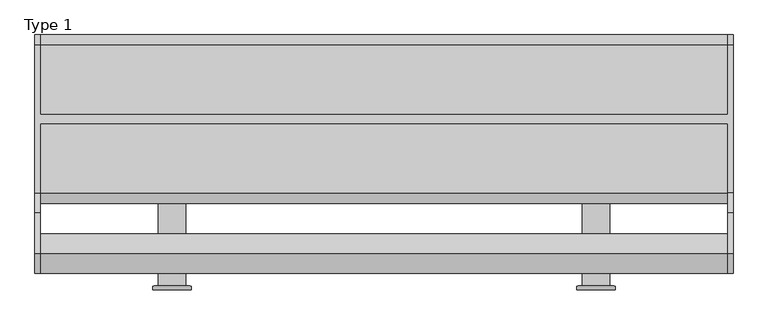
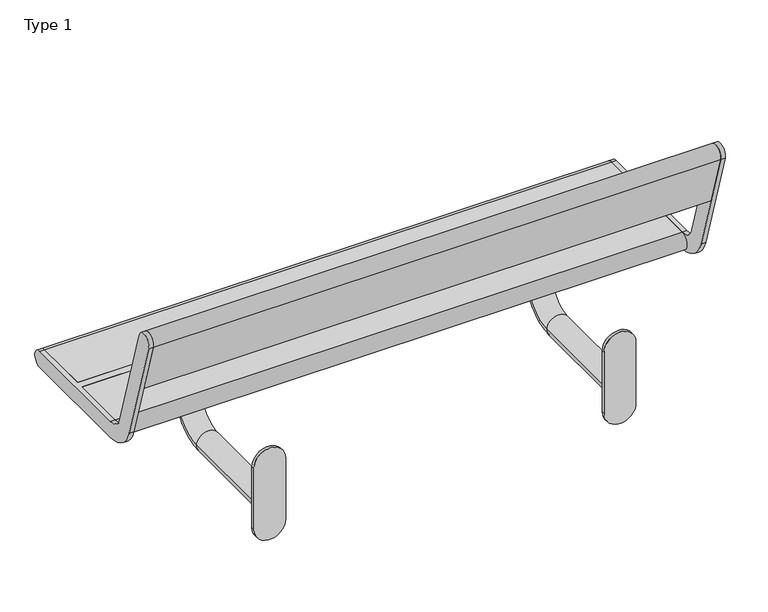
"""IFC4 building model written with IfcOpenShell, lengths in millimetres: furniture geometry, Type 1."""

from ifc_helpers import new_model, si_unit, point, frame, frame_2d, origin, place, context, project, spatial, polyline, circle_curve, ellipse_curve, trimmed, segment, composite_curve, outline, extrude, source, transform, mapped, element, save
from ifc_brep_helpers import plane_surface, cylinder_surface, revolved_surface, advanced_brep


def type_1_d3d4971f(model_context):
    return source(origin(), model_context, "Body", "SolidModel", [
        extrude(outline(composite_curve([segment(trimmed(circle_curve(frame_2d((357.0801223, 585.0)), 41.9108501), [point((357.0801223, 626.9108501))], [point((357.0801223, 543.0891499))], False, "CARTESIAN"), True, "CONTINUOUS"), segment(polyline([(357.0801223, 543.0891499), (187.0801223, 543.0891499)]), True, "CONTINUOUS"), segment(trimmed(circle_curve(frame_2d((187.0801223, 585.0)), 41.9108501), [point((187.0801223, 543.0891499))], [point((187.0801223, 626.9108501))], False, "CARTESIAN"), True, "CONTINUOUS"), segment(polyline([(187.0801223, 626.9108501), (357.0801223, 626.9108501)]), True, "CONTINUOUS")], self_intersect=False)), frame((0.0, 175.0, 0.0), z_axis=(0.0, 1.0, 0.0), x_axis=(0.0, 0.0, 1.0)), (0.0, 0.0, 1.0), 8.0),
        advanced_brep(
        [(510.0, 670.0, 405.0), (510.0, 670.0, 389.0), (510.0, 420.0, 389.0), (510.0, 420.0, 405.0), (660.0, 670.0, 405.0), (660.0, 420.0, 405.0), (660.0, 420.0, 389.0), (660.0, 670.0, 389.0), (615.0, 545.0, 389.0), (555.0, 545.0, 389.0), (555.0, 183.0, 246.9999952), (615.0, 183.0, 246.9999952), (555.0, 454.9999981, 246.9999952), (615.0, 454.9999981, 246.9999952), (555.0, 545.0, 336.9999971), (615.0, 545.0, 336.9999971)],
        [
            (0, 1),
            (1, 2),
            (2, 3),
            (3, 0),
            (4, 5),
            (5, 6),
            (6, 7),
            (7, 4),
            (0, 4),
            (7, 1),
            (6, 2),
            (8, 9, circle_curve(frame((585.0, 545.0, 389.0), z_axis=(0.0, 0.0, 1.0), x_axis=(1.0, 0.0, 0.0)), 30.0)),
            (9, 8, circle_curve(frame((585.0, 545.0, 389.0), z_axis=(0.0, 0.0, 1.0), x_axis=(1.0, 0.0, 0.0)), 30.0)),
            (5, 3),
            (10, 11, circle_curve(frame((585.0, 183.0, 246.9999952), z_axis=(0.0, -1.0, 0.0), x_axis=(1.0, 0.0, 0.0)), 30.0)),
            (11, 10, circle_curve(frame((585.0, 183.0, 246.9999952), z_axis=(0.0, -1.0, 0.0), x_axis=(1.0, 0.0, 0.0)), 30.0)),
            (10, 12),
            (12, 13, circle_curve(frame((585.0, 454.9999981, 246.9999952), z_axis=(0.0, -1.0, 0.0), x_axis=(1.0, 0.0, 0.0)), 30.0)),
            (13, 11),
            (13, 12, circle_curve(frame((585.0, 454.9999981, 246.9999952), z_axis=(0.0, -1.0, 0.0), x_axis=(1.0, 0.0, 0.0)), 30.0)),
            (12, 14, circle_curve(frame((555.0, 454.9999981, 336.9999971), z_axis=(1.0, 0.0, 0.0), x_axis=(0.0, 0.0, -1.0)), 90.0000019)),
            (14, 15, circle_curve(frame((585.0, 545.0, 336.9999971), z_axis=(0.0, 0.0, -1.0), x_axis=(1.0, 0.0, 0.0)), 30.0)),
            (15, 13, circle_curve(frame((615.0, 454.9999981, 336.9999971), z_axis=(-1.0, 0.0, 0.0), x_axis=(0.0, 0.0, -1.0)), 90.0000019)),
            (15, 14, circle_curve(frame((585.0, 545.0, 336.9999971), z_axis=(0.0, 0.0, -1.0), x_axis=(1.0, 0.0, 0.0)), 30.0)),
            (14, 9),
            (8, 15),
        ],
        [
            plane_surface(frame((510.0, 670.0, 405.0), z_axis=(-1.0, 0.0, 0.0), x_axis=(0.0, 0.0, -1.0))),
            plane_surface(frame((660.0, 670.0, 405.0), z_axis=(1.0, 0.0, 0.0), x_axis=(0.0, 0.0, 1.0))),
            plane_surface(frame((510.0, 670.0, 405.0), z_axis=(0.0, 1.0, 0.0), x_axis=(1.0, 0.0, 0.0))),
            plane_surface(frame((510.0, 670.0, 389.0), z_axis=(0.0, 0.0, -1.0), x_axis=(1.0, 0.0, 0.0))),
            plane_surface(frame((510.0, 420.0, 389.0), z_axis=(0.0, -1.0, 0.0), x_axis=(1.0, 0.0, 0.0))),
            plane_surface(frame((510.0, 420.0, 405.0), z_axis=(0.0, 0.0, 1.0), x_axis=(1.0, 0.0, 0.0))),
            plane_surface(frame((585.0, 183.0, 246.9999952), z_axis=(0.0, -1.0, 0.0), x_axis=(-1.0, 0.0, 0.0))),
            cylinder_surface(frame((585.0, 183.0, 246.9999952), z_axis=(0.0, -1.0, 0.0), x_axis=(1.0, 0.0, 0.0)), 30.0),
            revolved_surface(trimmed(ellipse_curve(frame((585.0, 454.9999981, 246.9999952), z_axis=(0.0, -1.0, 0.0), x_axis=(1.0, 0.0, 0.0)), 30.0, 30.0), [point((555.0, 454.9999981, 246.9999952))], [point((615.0, 454.9999981, 246.9999952))], True, "CARTESIAN"), (585.0, 454.9999981, 336.9999971), (1.0, 0.0, 0.0)),
            revolved_surface(trimmed(ellipse_curve(frame((585.0, 454.9999981, 246.9999952), z_axis=(0.0, -1.0, 0.0), x_axis=(1.0, 0.0, 0.0)), 30.0, 30.0), [point((615.0, 454.9999981, 246.9999952))], [point((555.0, 454.9999981, 246.9999952))], True, "CARTESIAN"), (585.0, 454.9999981, 336.9999971), (1.0, 0.0, 0.0)),
            cylinder_surface(frame((585.0, 545.0, 336.9999971), z_axis=(0.0, 0.0, -1.0), x_axis=(1.0, 0.0, 0.0)), 30.0),
        ],
        [
            (0, [[1, 2, 3, 4]]),
            (1, [[5, 6, 7, 8]]),
            (2, [[-1, 9, -8, 10]]),
            (3, [[-2, -10, -7, 11], [12, 13]]),
            (4, [[-3, -11, -6, 14]]),
            (5, [[-4, -14, -5, -9]]),
            (6, [[15, 16]]),
            (7, [[-15, 17, 18, 19]]),
            (7, [[-16, -19, 20, -17]]),
            (8, [[-18, 21, 22, 23]]),
            (9, [[-20, -23, 24, -21]]),
            (10, [[-22, 25, -12, 26]]),
            (10, [[-24, -26, -13, -25]]),
        ],
    ),
        extrude(outline(composite_curve([segment(trimmed(circle_curve(frame_2d((357.0801223, -335.0)), 41.9108501), [point((357.0801223, -293.0891499))], [point((357.0801223, -376.9108501))], False, "CARTESIAN"), True, "CONTINUOUS"), segment(polyline([(357.0801223, -376.9108501), (187.0801223, -376.9108501)]), True, "CONTINUOUS"), segment(trimmed(circle_curve(frame_2d((187.0801223, -335.0)), 41.9108501), [point((187.0801223, -376.9108501))], [point((187.0801223, -293.0891499))], False, "CARTESIAN"), True, "CONTINUOUS"), segment(polyline([(187.0801223, -293.0891499), (357.0801223, -293.0891499)]), True, "CONTINUOUS")], self_intersect=False)), frame((0.0, 175.0, 0.0), z_axis=(0.0, 1.0, 0.0), x_axis=(0.0, 0.0, 1.0)), (0.0, 0.0, 1.0), 8.0),
        advanced_brep(
        [(-410.0, 670.0, 405.0), (-410.0, 670.0, 389.0), (-410.0, 420.0, 389.0), (-410.0, 420.0, 405.0), (-260.0, 670.0, 405.0), (-260.0, 420.0, 405.0), (-260.0, 420.0, 389.0), (-260.0, 670.0, 389.0), (-305.0, 545.0, 389.0), (-365.0, 545.0, 389.0), (-365.0, 183.0, 246.9999952), (-305.0, 183.0, 246.9999952), (-365.0, 454.9999981, 246.9999952), (-305.0, 454.9999981, 246.9999952), (-365.0, 545.0, 336.9999971), (-305.0, 545.0, 336.9999971)],
        [
            (0, 1),
            (1, 2),
            (2, 3),
            (3, 0),
            (4, 5),
            (5, 6),
            (6, 7),
            (7, 4),
            (0, 4),
            (7, 1),
            (6, 2),
            (8, 9, circle_curve(frame((-335.0, 545.0, 389.0), z_axis=(0.0, 0.0, 1.0), x_axis=(1.0, 0.0, 0.0)), 30.0)),
            (9, 8, circle_curve(frame((-335.0, 545.0, 389.0), z_axis=(0.0, 0.0, 1.0), x_axis=(1.0, 0.0, 0.0)), 30.0)),
            (5, 3),
            (10, 11, circle_curve(frame((-335.0, 183.0, 246.9999952), z_axis=(0.0, -1.0, 0.0), x_axis=(1.0, 0.0, 0.0)), 30.0)),
            (11, 10, circle_curve(frame((-335.0, 183.0, 246.9999952), z_axis=(0.0, -1.0, 0.0), x_axis=(1.0, 0.0, 0.0)), 30.0)),
            (10, 12),
            (12, 13, circle_curve(frame((-335.0, 454.9999981, 246.9999952), z_axis=(0.0, -1.0, 0.0), x_axis=(1.0, 0.0, 0.0)), 30.0)),
            (13, 11),
            (13, 12, circle_curve(frame((-335.0, 454.9999981, 246.9999952), z_axis=(0.0, -1.0, 0.0), x_axis=(1.0, 0.0, 0.0)), 30.0)),
            (12, 14, circle_curve(frame((-365.0, 454.9999981, 336.9999971), z_axis=(1.0, 0.0, 0.0), x_axis=(0.0, 0.0, -1.0)), 90.0000019)),
            (14, 15, circle_curve(frame((-335.0, 545.0, 336.9999971), z_axis=(0.0, 0.0, -1.0), x_axis=(1.0, 0.0, 0.0)), 30.0)),
            (15, 13, circle_curve(frame((-305.0, 454.9999981, 336.9999971), z_axis=(-1.0, 0.0, 0.0), x_axis=(0.0, 0.0, -1.0)), 90.0000019)),
            (15, 14, circle_curve(frame((-335.0, 545.0, 336.9999971), z_axis=(0.0, 0.0, -1.0), x_axis=(1.0, 0.0, 0.0)), 30.0)),
            (14, 9),
            (8, 15),
        ],
        [
            plane_surface(frame((-410.0, 670.0, 405.0), z_axis=(-1.0, 0.0, 0.0), x_axis=(0.0, 0.0, -1.0))),
            plane_surface(frame((-260.0, 670.0, 405.0), z_axis=(1.0, 0.0, 0.0), x_axis=(0.0, 0.0, 1.0))),
            plane_surface(frame((-410.0, 670.0, 405.0), z_axis=(0.0, 1.0, 0.0), x_axis=(1.0, 0.0, 0.0))),
            plane_surface(frame((-410.0, 670.0, 389.0), z_axis=(0.0, 0.0, -1.0), x_axis=(1.0, 0.0, 0.0))),
            plane_surface(frame((-410.0, 420.0, 389.0), z_axis=(0.0, -1.0, 0.0), x_axis=(1.0, 0.0, 0.0))),
            plane_surface(frame((-410.0, 420.0, 405.0), z_axis=(0.0, 0.0, 1.0), x_axis=(1.0, 0.0, 0.0))),
            plane_surface(frame((-335.0, 183.0, 246.9999952), z_axis=(0.0, -1.0, 0.0), x_axis=(-1.0, 0.0, 0.0))),
            cylinder_surface(frame((-335.0, 183.0, 246.9999952), z_axis=(0.0, -1.0, 0.0), x_axis=(1.0, 0.0, 0.0)), 30.0),
            revolved_surface(trimmed(ellipse_curve(frame((-335.0, 454.9999981, 246.9999952), z_axis=(0.0, -1.0, 0.0), x_axis=(1.0, 0.0, 0.0)), 30.0, 30.0), [point((-365.0, 454.9999981, 246.9999952))], [point((-305.0, 454.9999981, 246.9999952))], True, "CARTESIAN"), (-335.0, 454.9999981, 336.9999971), (1.0, 0.0, 0.0)),
            revolved_surface(trimmed(ellipse_curve(frame((-335.0, 454.9999981, 246.9999952), z_axis=(0.0, -1.0, 0.0), x_axis=(1.0, 0.0, 0.0)), 30.0, 30.0), [point((-305.0, 454.9999981, 246.9999952))], [point((-365.0, 454.9999981, 246.9999952))], True, "CARTESIAN"), (-335.0, 454.9999981, 336.9999971), (1.0, 0.0, 0.0)),
            cylinder_surface(frame((-335.0, 545.0, 336.9999971), z_axis=(0.0, 0.0, -1.0), x_axis=(1.0, 0.0, 0.0)), 30.0),
        ],
        [
            (0, [[1, 2, 3, 4]]),
            (1, [[5, 6, 7, 8]]),
            (2, [[-1, 9, -8, 10]]),
            (3, [[-2, -10, -7, 11], [12, 13]]),
            (4, [[-3, -11, -6, 14]]),
            (5, [[-4, -14, -5, -9]]),
            (6, [[15, 16]]),
            (7, [[-15, 17, 18, 19]]),
            (7, [[-16, -19, 20, -17]]),
            (8, [[-18, 21, 22, 23]]),
            (9, [[-20, -23, 24, -21]]),
            (10, [[-22, 25, -12, 26]]),
            (10, [[-24, -26, -13, -25]]),
        ],
    ),
        advanced_brep(
        [(870.0, 253.9624029, 769.6910048), (870.0, 341.966286, 481.8432733), (870.0, 385.0, 450.0), (870.0, 535.5, 450.0), (870.0, 535.5, 405.0), (870.0, 385.0, 405.0), (870.0, 298.932572, 468.6865466), (870.0, 210.9286888, 756.5342781), (870.0, 706.0, 450.0), (870.0, 706.0, 405.0), (870.0, 555.5, 405.0), (870.0, 555.5, 450.0), (882.0, 253.9624029, 769.6910048), (882.0, 210.9286888, 756.5342781), (882.0, 298.932572, 468.6865466), (882.0, 385.0, 405.0), (882.0, 706.0, 405.0), (882.0, 706.0, 450.0), (882.0, 385.0, 450.0), (882.0, 341.966286, 481.8432733), (-620.0, 555.5, 450.0), (-620.0, 706.0, 450.0), (-632.0, 706.0, 450.0), (-632.0, 385.0, 450.0), (-620.0, 385.0, 450.0), (-620.0, 535.5, 450.0), (-620.0, 535.5, 405.0), (-620.0, 385.0, 405.0), (-632.0, 385.0, 405.0), (-632.0, 706.0, 405.0), (-620.0, 706.0, 405.0), (-620.0, 555.5, 405.0), (-632.0, 253.9624029, 769.6910048), (-632.0, 341.966286, 481.8432733), (-632.0, 298.932572, 468.6865466), (-632.0, 210.9286888, 756.5342781), (-620.0, 253.9624029, 769.6910048), (-620.0, 210.9286888, 756.5342781), (-620.0, 298.932572, 468.6865466), (-620.0, 341.966286, 481.8432733)],
        [
            (0, 1),
            (1, 2, circle_curve(frame((870.0, 385.0, 495.0), z_axis=(1.0, 0.0, 0.0), x_axis=(0.0, 1.0, 0.0)), 45.0)),
            (2, 3),
            (3, 4),
            (4, 5),
            (5, 6, circle_curve(frame((870.0, 385.0, 495.0), z_axis=(-1.0, 0.0, 0.0), x_axis=(0.0, 1.0, 0.0)), 90.0)),
            (6, 7),
            (7, 0, circle_curve(frame((870.0, 232.4455459, 763.1126415), z_axis=(-1.0, 0.0, 0.0), x_axis=(0.0, 1.0, 0.0)), 22.5)),
            (8, 9, circle_curve(frame((870.0, 706.0, 427.5), z_axis=(-1.0, 0.0, 0.0), x_axis=(0.0, 1.0, 0.0)), 22.5)),
            (9, 10),
            (10, 11),
            (11, 8),
            (12, 13, circle_curve(frame((882.0, 232.4455459, 763.1126415), z_axis=(1.0, 0.0, 0.0), x_axis=(0.0, 1.0, 0.0)), 22.5)),
            (13, 14),
            (14, 15, circle_curve(frame((882.0, 385.0, 495.0), z_axis=(1.0, 0.0, 0.0), x_axis=(0.0, 1.0, 0.0)), 90.0)),
            (15, 16),
            (16, 17, circle_curve(frame((882.0, 706.0, 427.5), z_axis=(1.0, 0.0, 0.0), x_axis=(0.0, 1.0, 0.0)), 22.5)),
            (17, 18),
            (18, 19, circle_curve(frame((882.0, 385.0, 495.0), z_axis=(-1.0, 0.0, 0.0), x_axis=(0.0, 1.0, 0.0)), 45.0)),
            (19, 12),
            (0, 12),
            (19, 1),
            (18, 2),
            (17, 8),
            (11, 20),
            (20, 21),
            (21, 22),
            (22, 23),
            (23, 24),
            (24, 25),
            (25, 3),
            (15, 5),
            (4, 26),
            (26, 27),
            (27, 28),
            (28, 29),
            (29, 30),
            (30, 31),
            (31, 10),
            (9, 16),
            (14, 6),
            (13, 7),
            (31, 20),
            (25, 26),
            (32, 33),
            (33, 23, circle_curve(frame((-632.0, 385.0, 495.0), z_axis=(1.0, 0.0, 0.0), x_axis=(0.0, 1.0, 0.0)), 45.0)),
            (22, 29, circle_curve(frame((-632.0, 706.0, 427.5), z_axis=(-1.0, 0.0, 0.0), x_axis=(0.0, 1.0, 0.0)), 22.5)),
            (28, 34, circle_curve(frame((-632.0, 385.0, 495.0), z_axis=(-1.0, 0.0, 0.0), x_axis=(0.0, 1.0, 0.0)), 90.0)),
            (34, 35),
            (35, 32, circle_curve(frame((-632.0, 232.4455459, 763.1126415), z_axis=(-1.0, 0.0, 0.0), x_axis=(0.0, 1.0, 0.0)), 22.5)),
            (36, 37, circle_curve(frame((-620.0, 232.4455459, 763.1126415), z_axis=(1.0, 0.0, 0.0), x_axis=(0.0, 1.0, 0.0)), 22.5)),
            (37, 38),
            (38, 27, circle_curve(frame((-620.0, 385.0, 495.0), z_axis=(1.0, 0.0, 0.0), x_axis=(0.0, 1.0, 0.0)), 90.0)),
            (24, 39, circle_curve(frame((-620.0, 385.0, 495.0), z_axis=(-1.0, 0.0, 0.0), x_axis=(0.0, 1.0, 0.0)), 45.0)),
            (39, 36),
            (30, 21, circle_curve(frame((-620.0, 706.0, 427.5), z_axis=(1.0, 0.0, 0.0), x_axis=(0.0, 1.0, 0.0)), 22.5)),
            (32, 36),
            (39, 33),
            (38, 34),
            (37, 35),
        ],
        [
            plane_surface(frame((870.0, 341.966286, 481.8432733), z_axis=(-1.0, 0.0, 0.0), x_axis=(0.0, 0.29237170472273366, -0.9563047559630364))),
            plane_surface(frame((882.0, 341.966286, 481.8432733), z_axis=(1.0, 0.0, 0.0), x_axis=(0.0, -0.29237170472273366, 0.9563047559630364))),
            plane_surface(frame((870.0, 253.9624029, 769.6910048), z_axis=(0.0, 0.9563047559630364, 0.29237170472273366), x_axis=(1.0, 0.0, 0.0))),
            revolved_surface(polyline([(882.0, 430.0, 495.0), (870.0, 430.0, 495.0)]), (882.0, 385.0, 495.0), (1.0, 0.0, 0.0)),
            plane_surface(frame((870.0, 385.0, 450.0), z_axis=(0.0, 0.0, 1.0), x_axis=(1.0, 0.0, 0.0))),
            plane_surface(frame((870.0, 706.0, 405.0), z_axis=(0.0, 0.0, -1.0), x_axis=(1.0, 0.0, 0.0))),
            cylinder_surface(frame((882.0, 385.0, 495.0), z_axis=(-1.0, 0.0, 0.0), x_axis=(0.0, 1.0, 0.0)), 90.0),
            plane_surface(frame((870.0, 298.932572, 468.6865466), z_axis=(0.0, -0.9563047559630364, -0.29237170472273366), x_axis=(1.0, 0.0, 0.0))),
            cylinder_surface(frame((882.0, 232.4455459, 763.1126415), z_axis=(-1.0, 0.0, 0.0), x_axis=(0.0, 1.0, 0.0)), 22.5),
            cylinder_surface(frame((882.0, 706.0, 427.5), z_axis=(-1.0, 0.0, 0.0), x_axis=(0.0, 1.0, 0.0)), 22.5),
            plane_surface(frame((-620.0, 555.5, 450.0), z_axis=(0.0, 1.0, 0.0), x_axis=(1.0, 0.0, 0.0))),
            plane_surface(frame((-620.0, 535.5, 405.0), z_axis=(0.0, -1.0, 0.0), x_axis=(1.0, 0.0, 0.0))),
            plane_surface(frame((-632.0, 341.966286, 481.8432733), z_axis=(-1.0, 0.0, 0.0), x_axis=(0.0, 0.29237170472273366, -0.9563047559630364))),
            plane_surface(frame((-620.0, 341.966286, 481.8432733), z_axis=(1.0, 0.0, 0.0), x_axis=(0.0, -0.29237170472273366, 0.9563047559630364))),
            plane_surface(frame((-632.0, 253.9624029, 769.6910048), z_axis=(0.0, 0.9563047559630364, 0.29237170472273366), x_axis=(1.0, 0.0, 0.0))),
            revolved_surface(polyline([(-620.0, 430.0, 495.0), (-632.0, 430.0, 495.0)]), (-620.0, 385.0, 495.0), (1.0, 0.0, 0.0)),
            cylinder_surface(frame((-620.0, 385.0, 495.0), z_axis=(-1.0, 0.0, 0.0), x_axis=(0.0, 1.0, 0.0)), 90.0),
            plane_surface(frame((-632.0, 298.932572, 468.6865466), z_axis=(0.0, -0.9563047559630364, -0.29237170472273366), x_axis=(1.0, 0.0, 0.0))),
            cylinder_surface(frame((-620.0, 232.4455459, 763.1126415), z_axis=(-1.0, 0.0, 0.0), x_axis=(0.0, 1.0, 0.0)), 22.5),
            cylinder_surface(frame((-620.0, 706.0, 427.5), z_axis=(-1.0, 0.0, 0.0), x_axis=(0.0, 1.0, 0.0)), 22.5),
        ],
        [
            (0, [[1, 2, 3, 4, 5, 6, 7, 8]]),
            (0, [[9, 10, 11, 12]]),
            (1, [[13, 14, 15, 16, 17, 18, 19, 20]]),
            (2, [[-1, 21, -20, 22]]),
            (3, [[-2, -22, -19, 23]]),
            (4, [[-18, 24, -12, 25, 26, 27, 28, 29, 30, 31, -3, -23]]),
            (5, [[-16, 32, -5, 33, 34, 35, 36, 37, 38, 39, -10, 40]]),
            (6, [[-6, -32, -15, 41]]),
            (7, [[-7, -41, -14, 42]]),
            (8, [[-8, -42, -13, -21]]),
            (9, [[-9, -24, -17, -40]]),
            (10, [[-25, -11, -39, 43]]),
            (11, [[-31, 44, -33, -4]]),
            (12, [[45, 46, -28, 47, -36, 48, 49, 50]]),
            (13, [[51, 52, 53, -34, -44, -30, 54, 55]]),
            (13, [[56, -26, -43, -38]]),
            (14, [[-45, 57, -55, 58]]),
            (15, [[-46, -58, -54, -29]]),
            (16, [[-48, -35, -53, 59]]),
            (17, [[-49, -59, -52, 60]]),
            (18, [[-50, -60, -51, -57]]),
            (19, [[-47, -27, -56, -37]]),
        ],
    ),
        extrude(outline(composite_curve([segment(polyline([(253.9624029, 769.6910048), (296.5024859, 630.5486628), (253.4687719, 617.3919361), (210.9286888, 756.5342781)]), True, "CONTINUOUS"), segment(trimmed(circle_curve(frame_2d((232.4455459, 763.1126415)), 22.5), [point((210.9286888, 756.5342781))], [point((253.9624029, 769.6910048))], False, "CARTESIAN"), True, "CONTINUOUS")], self_intersect=False)), frame((-620.0, 0.0, 0.0), z_axis=(1.0, 0.0, 0.0), x_axis=(0.0, 1.0, 0.0)), (0.0, 0.0, 1.0), 1490.0),
        extrude(outline(composite_curve([segment(polyline([(535.5, 405.0), (385.0, 405.0)]), True, "CONTINUOUS"), segment(trimmed(circle_curve(frame_2d((385.0, 427.5)), 22.5), [point((385.0, 405.0))], [point((385.0, 450.0))], False, "CARTESIAN"), True, "CONTINUOUS"), segment(polyline([(385.0, 450.0), (535.5, 450.0), (535.5, 405.0)]), True, "CONTINUOUS")], self_intersect=False)), frame((-620.0, 0.0, 0.0), z_axis=(1.0, 0.0, 0.0), x_axis=(0.0, 1.0, 0.0)), (0.0, 0.0, 1.0), 1490.0),
        extrude(outline(composite_curve([segment(polyline([(555.5, 405.0), (555.5, 450.0), (706.0, 450.0)]), True, "CONTINUOUS"), segment(trimmed(circle_curve(frame_2d((706.0, 427.5)), 22.5), [point((706.0, 450.0))], [point((706.0, 405.0))], False, "CARTESIAN"), True, "CONTINUOUS"), segment(polyline([(706.0, 405.0), (555.5, 405.0)]), True, "CONTINUOUS")], self_intersect=False)), frame((-620.0, 0.0, 0.0), z_axis=(1.0, 0.0, 0.0), x_axis=(0.0, 1.0, 0.0)), (0.0, 0.0, 1.0), 1490.0),
    ])


if __name__ == "__main__":
    model = new_model("IFC4")
    model_context = context("Model", 3, world=origin())
    ifc_project = project(units=[si_unit("LENGTHUNIT", "METRE", prefix="MILLI")], contexts=[model_context])
    site = spatial("IfcSite", under=ifc_project)
    building = spatial("IfcBuilding", under=site)
    placement = place(None, origin())
    type_1_shape = type_1_d3d4971f(model_context)
    element("IfcFurniture", 1, ObjectType="Type 1", at=placement, inside=building, context=model_context, shape_type="MappedRepresentation", body=[
        mapped(type_1_shape, transform((0.0, 0.0, 0.0), x_axis=(1.0, 0.0, 0.0), y_axis=(0.0, 1.0, 0.0), z_axis=(0.0, 0.0, 1.0))),
    ])
    save(model, "model.ifc")
